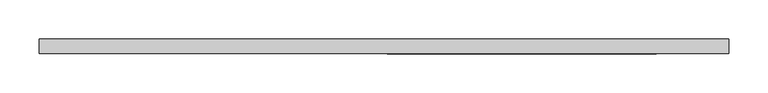
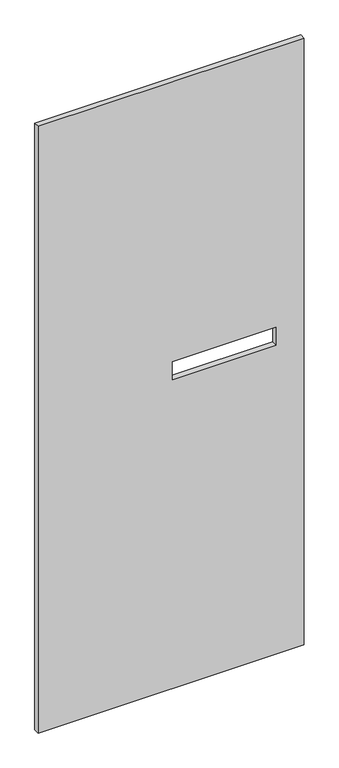
"""IFC4 building model written with IfcOpenShell, lengths in millimetres: proxy geometry."""

from ifc_helpers import new_model, si_unit, frame, origin, place, context, project, spatial, polyline, outline, extrude, source, transform, mapped, element, save


def specialty_equipment_afd8faa9(model_context):
    return source(origin(), model_context, "Body", "SweptSolid", [
        extrude(outline(polyline([(2130.425, 441.5309122), (2130.425, -441.5309122), (3.175, -441.5309122), (3.175, 441.5309122), (2130.425, 441.5309122)]), holes=[polyline([(1148.715, 348.488), (1086.485, 348.488), (1086.485, 4.064), (1148.715, 4.064), (1148.715, 348.488)])]), frame((0.0, -9.525, 0.0), z_axis=(0.0, 1.0, 0.0), x_axis=(0.0, 0.0, 1.0)), (0.0, 0.0, 1.0), 19.05),
    ])


if __name__ == "__main__":
    model = new_model("IFC4")
    model_context = context("Model", 3, world=origin())
    ifc_project = project(units=[si_unit("LENGTHUNIT", "METRE", prefix="MILLI")], contexts=[model_context])
    site = spatial("IfcSite", under=ifc_project)
    building = spatial("IfcBuilding", under=site)
    placement = place(None, origin())
    specialty_equipment_shape = specialty_equipment_afd8faa9(model_context)
    element("IfcBuildingElementProxy", 1, Name="Specialty Equipment", at=placement, inside=building, context=model_context, shape_type="MappedRepresentation", body=[
        mapped(specialty_equipment_shape, transform((0.0, 0.0, 0.0), x_axis=(1.0, 0.0, 0.0), y_axis=(0.0, 1.0, 0.0), z_axis=(0.0, 0.0, 1.0))),
    ])
    save(model, "model.ifc")
